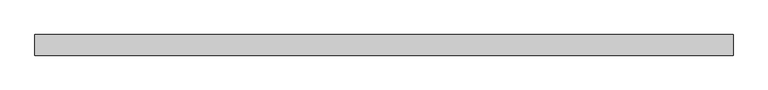
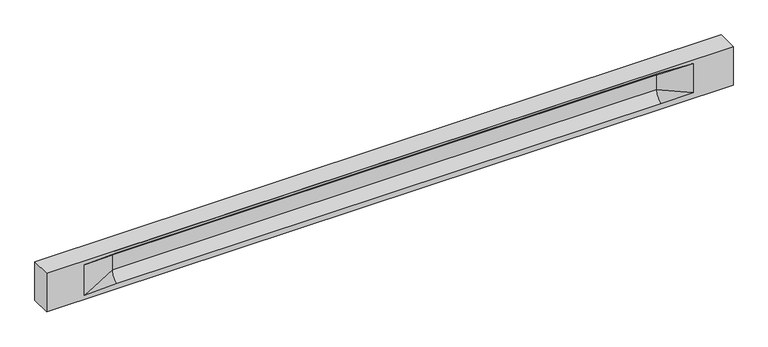
"""IFC4 building model written with IfcOpenShell, lengths in millimetres: beam geometry."""

from ifc_helpers import new_model, si_unit, frame, origin, place, context, project, spatial, polyline, circle_curve, source, transform, mapped, element, save
from ifc_brep_helpers import plane_surface, revolved_surface, spline_surface, advanced_brep


def beam_65a4e190(model_context):
    return source(origin(), model_context, "Body", "AdvancedBrep", [
        advanced_brep(
        [(8444.0, -250.0, 500.0), (8444.0, -250.0, -500.0), (8444.0, 250.0, -500.0), (8444.0, 250.0, 500.0), (-8444.0, -250.0, 500.0), (-8444.0, -250.0, -500.0), (7469.0, -250.0, -362.0), (6669.0, -250.0, -360.0), (-6714.0, -250.0, -360.0), (-7514.0, -250.0, -400.0), (-7514.0, -250.0, 400.0), (-6714.0, -250.0, 435.0), (6669.0, -250.0, 435.0), (7469.0, -250.0, 400.0), (-8444.0, 250.0, -500.0), (-8444.0, 250.0, 500.0), (7469.0, 250.0, 400.0), (6669.0, 250.0, 435.0), (-6714.0, 250.0, 435.0), (-7514.0, 250.0, 400.0), (-7514.0, 250.0, -400.0), (-6714.0, 250.0, -360.0), (6669.0, 250.0, -360.0), (7469.0, 250.0, -362.0), (6669.0, 155.0, 405.0), (-6714.0, 155.0, 405.0), (6669.0, 60.0, 262.777021), (-6714.0, 60.0, 262.777021), (6669.0, 60.0, -120.0), (-6714.0, 60.0, -120.0), (6669.0, -60.0, -120.0), (-6714.0, -60.0, -120.0), (6669.0, -60.0, 262.777021), (-6714.0, -60.0, 262.777021), (6669.0, -155.0, 405.0), (-6714.0, -155.0, 405.0)],
        [
            (0, 1),
            (1, 2),
            (2, 3),
            (3, 0),
            (0, 4),
            (4, 5),
            (5, 1),
            (6, 7),
            (7, 8),
            (8, 9),
            (9, 10),
            (10, 11),
            (11, 12),
            (12, 13),
            (13, 6),
            (5, 14),
            (14, 2),
            (14, 15),
            (15, 3),
            (16, 17),
            (17, 18),
            (18, 19),
            (19, 20),
            (20, 21),
            (21, 22),
            (22, 23),
            (23, 16),
            (15, 4),
            (17, 24),
            (24, 25),
            (25, 18),
            (24, 26, circle_curve(frame((6669.0, 213.9598725, 262.777021), z_axis=(1.0, 0.0, 0.0), x_axis=(0.0, 1.0, 0.0)), 153.9598725)),
            (26, 27),
            (27, 25, circle_curve(frame((-6714.0, 213.9598725, 262.777021), z_axis=(-1.0, 0.0, 0.0), x_axis=(0.0, 1.0, 0.0)), 153.9598725)),
            (26, 28),
            (28, 29),
            (29, 27),
            (28, 22, circle_curve(frame((6669.0, 306.5789474, -120.0), z_axis=(1.0, 0.0, 0.0), x_axis=(0.0, 1.0, 0.0)), 246.5789474)),
            (21, 29, circle_curve(frame((-6714.0, 306.5789474, -120.0), z_axis=(-1.0, 0.0, 0.0), x_axis=(0.0, 1.0, 0.0)), 246.5789474)),
            (7, 30, circle_curve(frame((6669.0, -306.5789474, -120.0), z_axis=(1.0, 0.0, 0.0), x_axis=(0.0, 1.0, 0.0)), 246.5789474)),
            (30, 31),
            (31, 8, circle_curve(frame((-6714.0, -306.5789474, -120.0), z_axis=(-1.0, 0.0, 0.0), x_axis=(0.0, 1.0, 0.0)), 246.5789474)),
            (30, 32),
            (32, 33),
            (33, 31),
            (32, 34, circle_curve(frame((6669.0, -213.9598725, 262.777021), z_axis=(1.0, 0.0, 0.0), x_axis=(0.0, 1.0, 0.0)), 153.9598725)),
            (34, 35),
            (35, 33, circle_curve(frame((-6714.0, -213.9598725, 262.777021), z_axis=(-1.0, 0.0, 0.0), x_axis=(0.0, 1.0, 0.0)), 153.9598725)),
            (34, 12),
            (11, 35),
            (27, 19),
            (19, 25),
            (10, 35),
            (10, 33),
            (9, 31),
            (20, 29),
            (34, 13),
            (32, 13),
            (30, 6),
            (28, 23),
            (26, 16),
            (24, 16),
        ],
        [
            plane_surface(frame((8444.0, 0.0, 0.0), z_axis=(1.0, 0.0, 0.0), x_axis=(0.0, 0.0, 1.0))),
            plane_surface(frame((8444.0, -250.0, 500.0), z_axis=(0.0, -1.0, 0.0), x_axis=(-1.0, 0.0, 0.0))),
            plane_surface(frame((8444.0, -250.0, -500.0), z_axis=(0.0, 0.0, -1.0), x_axis=(-1.0, 0.0, 0.0))),
            plane_surface(frame((8444.0, 250.0, -500.0), z_axis=(0.0, 1.0, 0.0), x_axis=(-1.0, 0.0, 0.0))),
            plane_surface(frame((8444.0, 250.0, 500.0), z_axis=(0.0, 0.0, 1.0), x_axis=(-1.0, 0.0, 0.0))),
            plane_surface(frame((-6714.0, 250.0, 435.0), z_axis=(0.0, 0.30113136793710954, -0.9535826651341378), x_axis=(1.0, 0.0, 0.0))),
            revolved_surface(polyline([(6669.0, 367.919745, 262.777021), (-6714.0, 367.919745, 262.777021)]), (-6714.0, 213.9598725, 262.777021), (1.0, 0.0, 0.0)),
            plane_surface(frame((-6714.0, 60.0, 262.777021), z_axis=(0.0, 1.0, 0.0), x_axis=(1.0, 0.0, 0.0))),
            revolved_surface(polyline([(6669.0, 553.1578948, -120.0), (-6714.0, 553.1578948, -120.0)]), (-6714.0, 306.5789474, -120.0), (1.0, 0.0, 0.0)),
            revolved_surface(polyline([(6669.0, -60.0, -120.0), (-6714.0, -60.0, -120.0)]), (-6714.0, -306.5789474, -120.0), (1.0, 0.0, 0.0)),
            plane_surface(frame((-6714.0, -60.0, -120.0), z_axis=(0.0, -1.0, 0.0), x_axis=(1.0, 0.0, 0.0))),
            revolved_surface(polyline([(6669.0, -60.0, 262.777021), (-6714.0, -60.0, 262.777021)]), (-6714.0, -213.9598725, 262.777021), (1.0, 0.0, 0.0)),
            plane_surface(frame((-6714.0, -155.0, 405.0), z_axis=(0.0, -0.30113136793710693, -0.9535826651341387), x_axis=(1.0, 0.0, 0.0))),
            spline_surface(2, 1, [[(-7514.0, 250.0, 400.0), (-6714.0, 60.0, 262.777021)], [(-7514.0, 250.0, 400.0), (-6714.0, 59.99999995452379, 365.6168572954922)], [(-7514.0, 250.0, 400.0), (-6714.0, 155.0, 405.0)]], [3, 3], [2, 2], [0.0, 1.0], [0.0, 1.0], weights=[[1.0, 1.0], [0.8315515921160737, 0.8315515921160737], [1.0, 1.0]]),
            plane_surface(frame((-7514.0, 250.0, 400.0), z_axis=(0.04168298285568771, 0.30086965068766386, -0.9527538938442265), x_axis=(0.0, 0.9535826651341378, 0.30113136793710954))),
            plane_surface(frame((-7514.0, -250.0, 400.0), z_axis=(0.041682982855687736, -0.30086965068766125, -0.9527538938442274), x_axis=(0.0, 0.9535826651341387, -0.30113136793710693))),
            spline_surface(2, 1, [[(-7514.0, -250.0, 400.0), (-6714.0, -155.0, 405.0)], [(-7514.0, -250.0, 400.0), (-6714.0, -60.00000008030692, 365.6168572114734)], [(-7514.0, -250.0, 400.0), (-6714.0, -60.0, 262.777021)]], [3, 3], [2, 2], [0.0, 1.0], [0.0, 1.0], weights=[[1.0, 1.0], [0.8315515924557569, 0.8315515924557569], [1.0, 1.0]]),
            plane_surface(frame((-7514.0, -250.0, 0.0), z_axis=(0.23107243079589934, -0.9729365507195596, 0.0), x_axis=(0.0, 0.0, -1.0))),
            spline_surface(2, 1, [[(-7514.0, -250.0, -400.0), (-6714.0, -60.0, -120.0)], [(-7514.0, -250.0, -400.0), (-6714.0, -59.99999998020837, -315.20833333333337)], [(-7514.0, -250.0, -400.0), (-6714.0, -250.0, -360.0)]], [3, 3], [2, 2], [0.0, 1.0], [0.0, 1.0], weights=[[1.0, 1.0], [0.7840458244617614, 0.7840458244617614], [1.0, 1.0]]),
            spline_surface(2, 1, [[(-7514.0, 250.0, -400.0), (-6714.0, 250.0, -360.0)], [(-7514.0, 250.0, -400.0), (-6714.0, 60.00000002887427, -315.20833329480604)], [(-7514.0, 250.0, -400.0), (-6714.0, 60.0, -120.0)]], [3, 3], [2, 2], [0.0, 1.0], [0.0, 1.0], weights=[[1.0, 1.0], [0.7840458245391329, 0.7840458245391329], [1.0, 1.0]]),
            plane_surface(frame((-7514.0, 250.0, 0.0), z_axis=(0.23107243079589507, 0.9729365507195608, 0.0), x_axis=(0.0, 0.0, 1.0))),
            plane_surface(frame((-8444.0, 0.0, 0.0), z_axis=(-1.0, 0.0, 0.0), x_axis=(0.0, 0.0, 1.0))),
            plane_surface(frame((6669.0, -202.5, 420.0), z_axis=(-0.041682982855687396, -0.30086965068766125, -0.9527538938442274), x_axis=(0.0, 0.9535826651341387, -0.30113136793710693))),
            spline_surface(2, 1, [[(6669.0, -155.0, 405.0), (7469.0, -250.0, 400.0)], [(6669.0, -60.00000008030692, 365.6168572114734), (7469.0, -250.0, 400.0)], [(6669.0, -60.0, 262.777021), (7469.0, -250.0, 400.0)]], [3, 3], [2, 2], [0.0, 1.0], [0.0, 1.0], weights=[[1.0, 1.0], [0.8315515924557569, 0.8315515924557569], [1.0, 1.0]]),
            plane_surface(frame((6669.0, -60.0, 71.3885105), z_axis=(-0.23107243079589707, -0.9729365507195603, 0.0), x_axis=(0.0, 0.0, -1.0))),
            spline_surface(2, 1, [[(6669.0, -60.0, -120.0), (7469.0, -250.0, -362.0)], [(6669.0, -59.99999998020837, -315.20833333333337), (7469.0, -250.0, -362.0)], [(6669.0, -250.0, -360.0), (7469.0, -250.0, -362.0)]], [3, 3], [2, 2], [0.0, 1.0], [0.0, 1.0], weights=[[1.0, 1.0], [0.7840458244617614, 0.7840458244617614], [1.0, 1.0]]),
            spline_surface(2, 1, [[(6669.0, 250.0, -360.0), (7469.0, 250.0, -362.0)], [(6669.0, 60.00000002887427, -315.20833329480604), (7469.0, 250.0, -362.0)], [(6669.0, 60.0, -120.0), (7469.0, 250.0, -362.0)]], [3, 3], [2, 2], [0.0, 1.0], [0.0, 1.0], weights=[[1.0, 1.0], [0.7840458245391329, 0.7840458245391329], [1.0, 1.0]]),
            plane_surface(frame((6669.0, 60.0, 71.3885105), z_axis=(-0.23107243079589063, 0.9729365507195618, 0.0), x_axis=(0.0, 0.0, 1.0))),
            spline_surface(2, 1, [[(6669.0, 60.0, 262.777021), (7469.0, 250.0, 400.0)], [(6669.0, 59.99999995452379, 365.6168572954922), (7469.0, 250.0, 400.0)], [(6669.0, 155.0, 405.0), (7469.0, 250.0, 400.0)]], [3, 3], [2, 2], [0.0, 1.0], [0.0, 1.0], weights=[[1.0, 1.0], [0.8315515921160737, 0.8315515921160737], [1.0, 1.0]]),
            plane_surface(frame((6669.0, 202.5, 420.0), z_axis=(-0.04168298285568666, 0.30086965068766386, -0.9527538938442265), x_axis=(0.0, 0.9535826651341378, 0.30113136793710954))),
        ],
        [
            (0, [[1, 2, 3, 4]]),
            (1, [[-1, 5, 6, 7], [8, 9, 10, 11, 12, 13, 14, 15]]),
            (2, [[-2, -7, 16, 17]]),
            (3, [[-3, -17, 18, 19], [20, 21, 22, 23, 24, 25, 26, 27]]),
            (4, [[-5, -4, -19, 28]]),
            (5, [[-21, 29, 30, 31]]),
            (6, [[-30, 32, 33, 34]]),
            (7, [[-33, 35, 36, 37]]),
            (8, [[-36, 38, -25, 39]]),
            (9, [[-9, 40, 41, 42]]),
            (10, [[-41, 43, 44, 45]]),
            (11, [[-44, 46, 47, 48]]),
            (12, [[-47, 49, -13, 50]]),
            (13, [[51, 52, -34]]),
            (14, [[-52, -22, -31]]),
            (15, [[-12, 53, -50]]),
            (16, [[-53, 54, -48]]),
            (17, [[-54, -11, 55, -45]]),
            (18, [[-55, -10, -42]]),
            (19, [[-24, 56, -39]]),
            (20, [[-51, -37, -56, -23]]),
            (21, [[-28, -18, -16, -6]]),
            (22, [[-14, -49, 57]]),
            (23, [[-57, -46, 58]]),
            (24, [[-58, -43, 59, -15]]),
            (25, [[-59, -40, -8]]),
            (26, [[-26, -38, 60]]),
            (27, [[-60, -35, 61, -27]]),
            (28, [[-61, -32, 62]]),
            (29, [[-62, -29, -20]]),
        ],
    ),
    ])


if __name__ == "__main__":
    model = new_model("IFC4")
    model_context = context("Model", 3, world=origin())
    ifc_project = project(units=[si_unit("LENGTHUNIT", "METRE", prefix="MILLI")], contexts=[model_context])
    site = spatial("IfcSite", under=ifc_project)
    building = spatial("IfcBuilding", under=site)
    placement = place(None, origin())
    beam_shape = beam_65a4e190(model_context)
    element("IfcBeam", 1, at=placement, inside=building, context=model_context, shape_type="MappedRepresentation", body=[
        mapped(beam_shape, transform((0.0, 0.0, 0.0), x_axis=(1.0, 0.0, 0.0), y_axis=(0.0, 1.0, 0.0), z_axis=(0.0, 0.0, 1.0))),
    ])
    save(model, "model.ifc")
